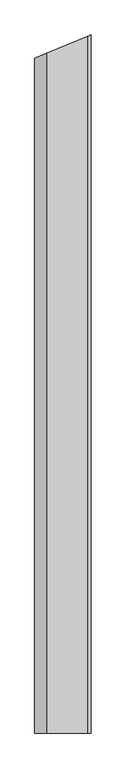
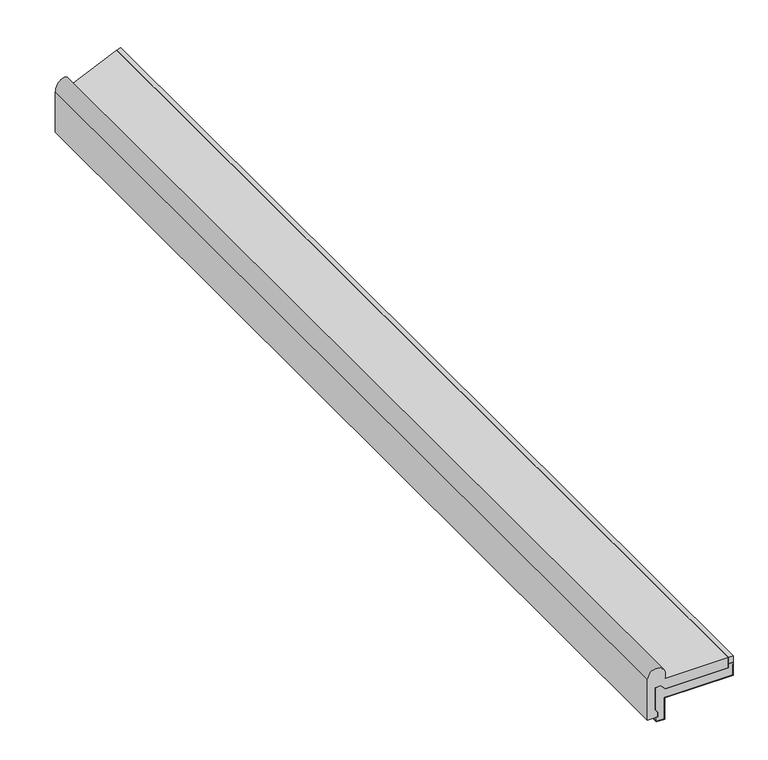
"""IFC4 building model written with IfcOpenShell, lengths in millimetres: proxy geometry."""

from ifc_helpers import new_model, si_unit, frame, origin, place, context, project, spatial, polyline, circle_curve, ellipse_curve, outline, extrude, faceted_brep, source, transform, mapped, element, save
from ifc_brep_helpers import plane_surface, cylinder_surface, advanced_brep


def generic_models_90ea78b1(model_context):
    return source(origin(), model_context, "Body", "SolidModel", [
        extrude(outline(polyline([(191.0, -1182.5213418), (180.0, -1182.5213418), (180.0, 1177.9649926), (191.0, 1182.5213418), (191.0, -1182.5213418)])), frame((0.0, 0.0, 81.0), z_axis=(0.0, 0.0, 1.0), x_axis=(1.0, 0.0, 0.0)), (0.0, 0.0, 1.0), 15.0),
        faceted_brep([(190.0, 1182.1071282, 51.0), (190.0, 1182.1071282, 76.0), (191.0, 1182.5213418, 76.0), (191.0, 1182.5213418, 50.0), (38.5062786, 1119.3563742, 50.0), (38.5062786, 1119.3563742, 0.0), (20.0, 1111.6908226, 0.0), (20.0, 1111.6908226, 1.0), (37.5062786, 1118.9421607, 1.0), (37.5062786, 1118.9421607, 51.0), (190.0, -1182.5213418, 51.0), (190.0, -1182.5213418, 76.0), (191.0, -1182.5213418, 76.0), (191.0, -1182.5213418, 50.0), (38.5062786, -1182.5213418, 50.0), (38.5062786, -1182.5213418, 0.0), (20.0, -1182.5213418, 0.0), (20.0, -1182.5213418, 1.0), (37.5062786, -1182.5213418, 1.0), (37.5062786, -1182.5213418, 51.0)], [[[0, 1, 2, 3, 4, 5, 6, 7, 8, 9]], [[10, 11, 1, 0]], [[11, 12, 2, 1]], [[12, 13, 3, 2]], [[13, 14, 4, 3]], [[14, 15, 5, 4]], [[15, 16, 6, 5]], [[16, 17, 7, 6]], [[17, 18, 8, 7]], [[18, 19, 9, 8]], [[19, 10, 0, 9]], [[10, 19, 18, 17, 16, 15, 14, 13, 12, 11]]]),
        faceted_brep([(22.5, 1112.7263565, 21.0), (17.5062786, 1110.6578894, 29.6493791), (17.5062786, 1110.6578894, 81.0), (30.0, 1115.8329582, 81.0), (40.0, 1119.9750939, 71.0), (180.0, 1177.9649926, 71.0), (180.0, 1177.9649926, 81.0), (191.0, 1182.5213418, 81.0), (191.0, 1182.5213418, 76.0), (190.0, 1182.1071282, 76.0), (190.0, 1182.1071282, 51.0), (37.5062786, 1118.9421607, 51.0), (37.5062786, 1118.9421607, 1.0), (20.0, 1111.6908226, 1.0), (20.0, 1111.6908226, 11.0), (22.5, 1112.7263565, 11.0), (22.5, -1182.5213418, 21.0), (17.5062786, -1182.5213418, 29.6493791), (17.5062786, -1182.5213418, 81.0), (30.0, -1182.5213418, 81.0), (40.0, -1182.5213418, 71.0), (180.0, -1182.5213418, 71.0), (180.0, -1182.5213418, 81.0), (191.0, -1182.5213418, 81.0), (190.0, -1182.5213418, 76.0), (190.0, -1182.5213418, 51.0), (37.5062786, -1182.5213418, 51.0), (37.5062786, -1182.5213418, 1.0), (20.0, -1182.5213418, 1.0), (20.0, -1182.5213418, 11.0), (22.5, -1182.5213418, 11.0), (191.0, -1182.5213418, 76.0)], [[[0, 1, 2, 3, 4, 5, 6, 7, 8, 9, 10, 11, 12, 13, 14, 15]], [[16, 17, 1, 0]], [[17, 18, 2, 1]], [[18, 19, 3, 2]], [[19, 20, 4, 3]], [[20, 21, 5, 4]], [[21, 22, 6, 5]], [[22, 23, 7, 6]], [[24, 25, 10, 9]], [[25, 26, 11, 10]], [[26, 27, 12, 11]], [[27, 28, 13, 12]], [[28, 29, 14, 13]], [[29, 30, 15, 14]], [[30, 16, 0, 15]], [[23, 31, 8, 7]], [[31, 24, 9, 8]], [[16, 30, 29, 28, 27, 26, 25, 24, 31, 23, 22, 21, 20, 19, 18, 17]]]),
        advanced_brep(
        [(40.0, -1182.5213418, 96.0), (180.0, -1182.5213418, 96.0), (180.0, 1177.9649926, 96.0), (40.0, 1119.9750939, 96.0), (180.0, -1182.5213418, 71.0), (180.0, 1177.9649926, 71.0), (40.0, -1182.5213418, 71.0), (40.0, 1119.9750939, 71.0), (30.0, -1182.5213418, 81.0), (30.0, 1115.8329582, 81.0), (17.5062786, -1182.5213418, 81.0), (17.5062786, 1110.6578894, 81.0), (17.5062786, -1182.5213418, 29.6493791), (17.5062786, 1110.6578894, 29.6493791), (22.5, -1182.5213418, 21.0), (22.5, 1112.7263565, 21.0), (22.5, -1182.5213418, 11.0), (22.5, 1112.7263565, 11.0), (0.0, -1182.5213418, 11.0), (0.0, 1103.4065514, 11.0), (0.0, -1182.5213418, 106.0), (0.0, 1103.4065514, 106.0), (40.0, -1182.5213418, 106.0), (40.0, 1119.9750939, 106.0), (20.0, 1111.6908226, 126.0)],
        [
            (0, 1),
            (1, 2),
            (2, 3),
            (3, 0),
            (1, 4),
            (4, 5),
            (5, 2),
            (4, 6),
            (6, 7),
            (7, 5),
            (6, 8),
            (8, 9),
            (9, 7),
            (8, 10),
            (10, 11),
            (11, 9),
            (10, 12),
            (12, 13),
            (13, 11),
            (12, 14),
            (14, 15),
            (15, 13),
            (14, 16),
            (16, 17),
            (17, 15),
            (16, 18),
            (18, 19),
            (19, 17),
            (18, 20),
            (20, 21),
            (21, 19),
            (20, 22, circle_curve(frame((20.0, -1182.5213418, 106.0), z_axis=(0.0, 1.0, 0.0), x_axis=(1.0, 0.0, 0.0)), 20.0)),
            (22, 23),
            (23, 24, ellipse_curve(frame((20.0, 1111.6908226, 106.0), z_axis=(0.3826834323650894, -0.923879532511287, 0.0), x_axis=(0.923879532511287, 0.38268343236508934, 0.0)), 21.647844, 20.0)),
            (24, 21, ellipse_curve(frame((20.0, 1111.6908226, 106.0), z_axis=(0.3826834323650894, -0.923879532511287, 0.0), x_axis=(0.923879532511287, 0.38268343236508934, 0.0)), 21.647844, 20.0)),
            (22, 0),
            (3, 23),
        ],
        [
            plane_surface(frame((40.0, 1182.5213418, 96.0), z_axis=(0.0, 0.0, 1.0), x_axis=(0.0, -1.0, 0.0))),
            plane_surface(frame((180.0, 1182.5213418, 96.0), z_axis=(1.0, 0.0, 0.0), x_axis=(0.0, -1.0, 0.0))),
            plane_surface(frame((180.0, 1182.5213418, 71.0), z_axis=(0.0, 0.0, -1.0), x_axis=(0.0, -1.0, 0.0))),
            plane_surface(frame((40.0, 1182.5213418, 71.0), z_axis=(-0.7071067811865497, 0.0, -0.7071067811865455), x_axis=(0.0, -1.0, 0.0))),
            plane_surface(frame((30.0, 1182.5213418, 81.0), z_axis=(0.0, 0.0, -1.0), x_axis=(0.0, -1.0, 0.0))),
            plane_surface(frame((17.5062786, 1182.5213418, 81.0), z_axis=(1.0, 0.0, 0.0), x_axis=(0.0, -1.0, 0.0))),
            plane_surface(frame((17.5062786, 1182.5213418, 29.6493791), z_axis=(0.8660254037844387, 0.0, 0.5), x_axis=(0.0, -1.0, 0.0))),
            plane_surface(frame((22.5, 1182.5213418, 21.0), z_axis=(1.0, 0.0, 0.0), x_axis=(0.0, -1.0, 0.0))),
            plane_surface(frame((22.5, 1182.5213418, 11.0), z_axis=(0.0, 0.0, -1.0), x_axis=(0.0, -1.0, 0.0))),
            plane_surface(frame((0.0, 1182.5213418, 11.0), z_axis=(-1.0, 0.0, 0.0), x_axis=(0.0, -1.0, 0.0))),
            cylinder_surface(frame((20.0, 1182.5213418, 106.0), z_axis=(0.0, 1.0, 0.0), x_axis=(1.0, 0.0, 0.0)), 20.0),
            plane_surface(frame((40.0, 1182.5213418, 106.0), z_axis=(1.0, 0.0, 0.0), x_axis=(0.0, -1.0, 0.0))),
            plane_surface(frame((0.0, 1103.4065514, 126.0), z_axis=(-0.3826834323650894, 0.923879532511287, 0.0), x_axis=(0.0, 0.0, -1.0))),
            plane_surface(frame((0.0, -1182.5213418, 0.0), z_axis=(0.0, -1.0, 0.0), x_axis=(0.0, 0.0, 1.0))),
        ],
        [
            (0, [[1, 2, 3, 4]]),
            (1, [[5, 6, 7, -2]]),
            (2, [[8, 9, 10, -6]]),
            (3, [[11, 12, 13, -9]]),
            (4, [[14, 15, 16, -12]]),
            (5, [[17, 18, 19, -15]]),
            (6, [[20, 21, 22, -18]]),
            (7, [[23, 24, 25, -21]]),
            (8, [[26, 27, 28, -24]]),
            (9, [[29, 30, 31, -27]]),
            (10, [[32, 33, 34, 35, -30]]),
            (11, [[36, -4, 37, -33]]),
            (12, [[-3, -7, -10, -13, -16, -19, -22, -25, -28, -31, -35, -34, -37]]),
            (13, [[-36, -32, -29, -26, -23, -20, -17, -14, -11, -8, -5, -1]]),
        ],
    ),
    ])


if __name__ == "__main__":
    model = new_model("IFC4")
    model_context = context("Model", 3, world=origin())
    ifc_project = project(units=[si_unit("LENGTHUNIT", "METRE", prefix="MILLI")], contexts=[model_context])
    site = spatial("IfcSite", under=ifc_project)
    building = spatial("IfcBuilding", under=site)
    placement = place(None, origin())
    generic_models_shape = generic_models_90ea78b1(model_context)
    element("IfcBuildingElementProxy", 1, Name="Generic Models", at=placement, inside=building, context=model_context, shape_type="MappedRepresentation", body=[
        mapped(generic_models_shape, transform((0.0, 0.0, 0.0), x_axis=(1.0, 0.0, 0.0), y_axis=(0.0, 1.0, 0.0), z_axis=(0.0, 0.0, 1.0))),
    ])
    save(model, "model.ifc")
